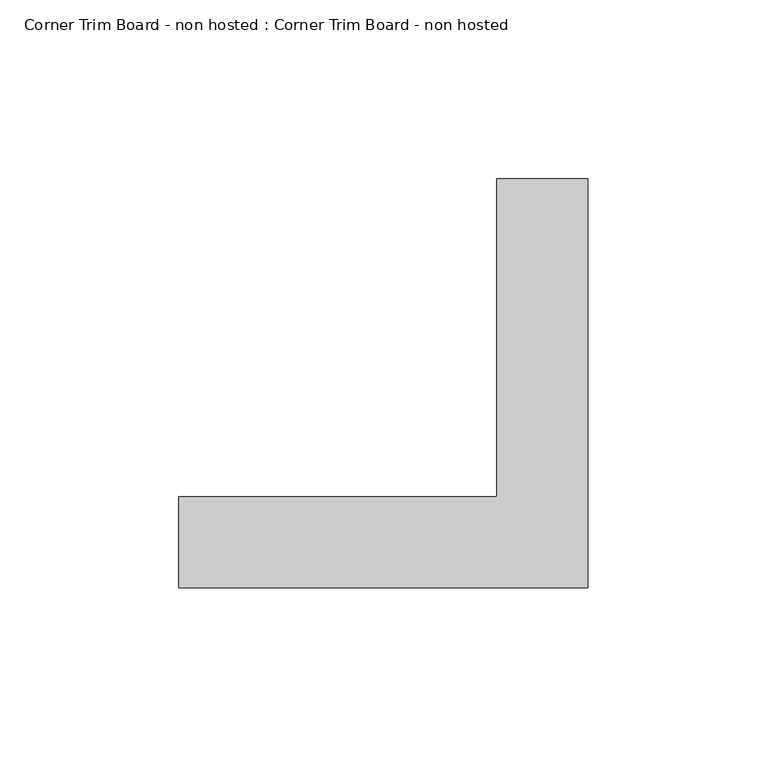
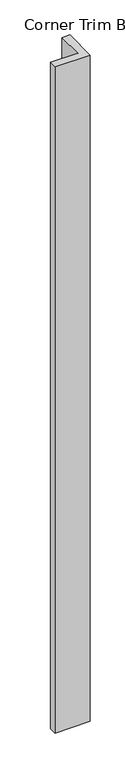
"""IFC4 building model written with IfcOpenShell, lengths in millimetres: proxy geometry, Corner Trim Board - non hosted : Corner Trim Board - non hosted."""

from ifc_helpers import new_model, si_unit, origin, origin_with_axes, place, context, project, spatial, polyline, outline, extrude, source, transform, mapped, element, save


def corner_trim_board_non_hosted_corner_trim_board_non_hosted_bf2c720b(model_context):
    return source(origin(), model_context, "Body", "SweptSolid", [
        extrude(outline(polyline([(-84.6056616, -25.4), (-84.6056616, 0.0), (4.2943384, 0.0), (4.2943384, 88.9), (29.6943384, 88.9), (29.6943384, -25.4), (-84.6056616, -25.4)])), origin_with_axes(), (0.0, 0.0, 1.0), 2286.0),
    ])


if __name__ == "__main__":
    model = new_model("IFC4")
    model_context = context("Model", 3, world=origin())
    ifc_project = project(units=[si_unit("LENGTHUNIT", "METRE", prefix="MILLI")], contexts=[model_context])
    site = spatial("IfcSite", under=ifc_project)
    building = spatial("IfcBuilding", under=site)
    placement = place(None, origin())
    corner_trim_board_non_hosted_corner_trim_board_non_hosted_shape = corner_trim_board_non_hosted_corner_trim_board_non_hosted_bf2c720b(model_context)
    element("IfcBuildingElementProxy", 1, Name="Corner Trim Board - non hosted : Corner Trim Board - non hosted", ObjectType="Corner Trim Board - non hosted : Corner Trim Board - non hosted", at=placement, inside=building, context=model_context, shape_type="MappedRepresentation", body=[
        mapped(corner_trim_board_non_hosted_corner_trim_board_non_hosted_shape, transform((0.0, 0.0, 0.0), x_axis=(1.0, 0.0, 0.0), y_axis=(0.0, 1.0, 0.0), z_axis=(0.0, 0.0, 1.0))),
    ])
    save(model, "model.ifc")
